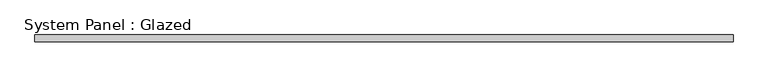
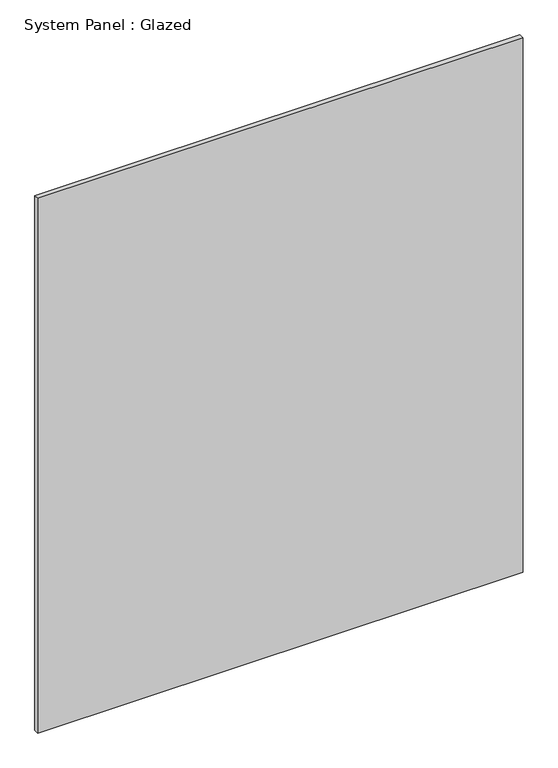
"""IFC4 building model written with IfcOpenShell, lengths in millimetres: plate geometry, System Panel : Glazed."""

from ifc_helpers import new_model, si_unit, origin, origin_with_axes, place, context, project, spatial, polyline, outline, extrude, source, transform, mapped, element, save


def system_panel_glazed_03e300b9(model_context):
    return source(origin(), model_context, "Body", "SweptSolid", [
        extrude(outline(polyline([(1274.7625, -44.45), (-1274.7625, -44.45), (-1274.7625, -19.05), (1274.7625, -19.05), (1274.7625, -44.45)])), origin_with_axes(), (0.0, 0.0, 1.0), 2968.625),
    ])


if __name__ == "__main__":
    model = new_model("IFC4")
    model_context = context("Model", 3, world=origin())
    ifc_project = project(units=[si_unit("LENGTHUNIT", "METRE", prefix="MILLI")], contexts=[model_context])
    site = spatial("IfcSite", under=ifc_project)
    building = spatial("IfcBuilding", under=site)
    placement = place(None, origin())
    system_panel_glazed_shape = system_panel_glazed_03e300b9(model_context)
    element("IfcPlate", 1, ObjectType="System Panel : Glazed", at=placement, inside=building, context=model_context, shape_type="MappedRepresentation", body=[
        mapped(system_panel_glazed_shape, transform((0.0, 0.0, 0.0), x_axis=(1.0, 0.0, 0.0), y_axis=(0.0, 1.0, 0.0), z_axis=(0.0, 0.0, 1.0))),
    ])
    save(model, "model.ifc")
